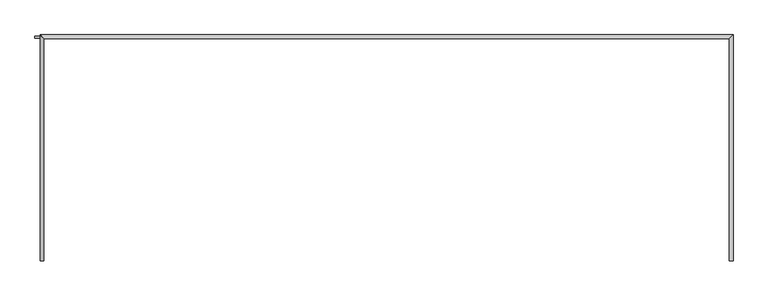
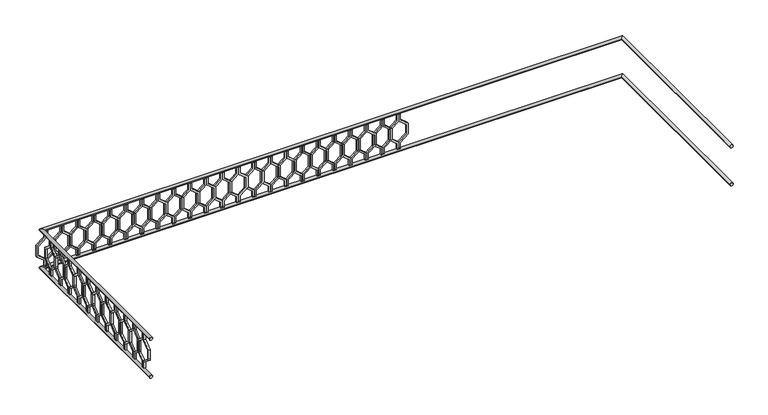
"""IFC4 building model written with IfcOpenShell, lengths in millimetres: railing geometry."""

from ifc_helpers import new_model, si_unit, frame, origin, place, context, project, spatial, polyline, circle_curve, ellipse_curve, outline, extrude, source, transform, mapped, element, save
from ifc_brep_helpers import plane_surface, cylinder_surface, advanced_brep


def railing_d40d572c(model_context):
    return source(origin(), model_context, "Body", "SolidModel", [
        advanced_brep(
        [(-40739.9887159, 903.1079487, 18780.0), (-40699.9887159, 903.1079487, 18780.0), (-40739.9887159, 3243.1079487, 18780.0), (-40699.9887159, 3283.1079487, 18780.0), (-47939.9887159, 3243.1079487, 18780.0), (-47979.9887159, 3283.1079487, 18780.0), (-47939.9887159, 903.1079487, 18780.0), (-47979.9887159, 903.1079487, 18780.0)],
        [
            (0, 1, circle_curve(frame((-40719.9887159, 903.1079487, 18780.0), z_axis=(0.0, -1.0, 0.0), x_axis=(1.0, 0.0, 0.0)), 20.0)),
            (1, 0, circle_curve(frame((-40719.9887159, 903.1079487, 18780.0), z_axis=(0.0, -1.0, 0.0), x_axis=(1.0, 0.0, 0.0)), 20.0)),
            (0, 2),
            (2, 3, ellipse_curve(frame((-40719.9887159, 3263.1079487, 18780.0), z_axis=(0.7071067811865475, -0.7071067811865476, 0.0), x_axis=(-0.7071067811865476, -0.7071067811865475, 0.0)), 28.2842712, 20.0)),
            (3, 1),
            (3, 2, ellipse_curve(frame((-40719.9887159, 3263.1079487, 18780.0), z_axis=(0.7071067811865475, -0.7071067811865476, 0.0), x_axis=(-0.7071067811865476, -0.7071067811865475, 0.0)), 28.2842712, 20.0)),
            (2, 4),
            (4, 5, ellipse_curve(frame((-47959.9887159, 3263.1079487, 18780.0), z_axis=(0.7071067811865481, 0.7071067811865469, 0.0), x_axis=(0.7071067811865469, -0.7071067811865481, 0.0)), 28.2842712, 20.0)),
            (5, 3),
            (5, 4, ellipse_curve(frame((-47959.9887159, 3263.1079487, 18780.0), z_axis=(0.7071067811865481, 0.7071067811865469, 0.0), x_axis=(0.7071067811865469, -0.7071067811865481, 0.0)), 28.2842712, 20.0)),
            (6, 7, circle_curve(frame((-47959.9887159, 903.1079487, 18780.0), z_axis=(0.0, -1.0, 0.0), x_axis=(-1.0, 0.0, 0.0)), 20.0)),
            (7, 6, circle_curve(frame((-47959.9887159, 903.1079487, 18780.0), z_axis=(0.0, -1.0, 0.0), x_axis=(-1.0, 0.0, 0.0)), 20.0)),
            (4, 6),
            (7, 5),
        ],
        [
            plane_surface(frame((-40719.9887159, 903.1079487, 18800.0), z_axis=(0.0, -1.0, 0.0), x_axis=(0.0, 0.0, 1.0))),
            cylinder_surface(frame((-40719.9887159, 903.1079487, 18780.0), z_axis=(0.0, -1.0, 0.0), x_axis=(1.0, 0.0, 0.0)), 20.0),
            cylinder_surface(frame((-40719.9887159, 3263.1079487, 18780.0), z_axis=(1.0, 0.0, 0.0), x_axis=(0.0, 1.0, 0.0)), 20.0),
            plane_surface(frame((-47959.9887159, 903.1079487, 18800.0), z_axis=(0.0, -1.0, 0.0), x_axis=(0.0, 0.0, -1.0))),
            cylinder_surface(frame((-47959.9887159, 3263.1079487, 18780.0), z_axis=(0.0, 1.0, 0.0), x_axis=(-1.0, 0.0, 0.0)), 20.0),
        ],
        [
            (0, [[1, 2]]),
            (1, [[-1, 3, 4, 5]]),
            (1, [[-2, -5, 6, -3]]),
            (2, [[-4, 7, 8, 9]]),
            (2, [[-6, -9, 10, -7]]),
            (3, [[11, 12]]),
            (4, [[-8, 13, -12, 14]]),
            (4, [[-10, -14, -11, -13]]),
        ],
    ),
        advanced_brep(
        [(-40739.9887159, 903.1079487, 18280.0), (-40699.9887159, 903.1079487, 18280.0), (-40739.9887159, 3243.1079487, 18280.0), (-40699.9887159, 3283.1079487, 18280.0), (-47939.9887159, 3243.1079487, 18280.0), (-47979.9887159, 3283.1079487, 18280.0), (-47939.9887159, 903.1079487, 18280.0), (-47979.9887159, 903.1079487, 18280.0)],
        [
            (0, 1, circle_curve(frame((-40719.9887159, 903.1079487, 18280.0), z_axis=(0.0, -1.0, 0.0), x_axis=(1.0, 0.0, 0.0)), 20.0)),
            (1, 0, circle_curve(frame((-40719.9887159, 903.1079487, 18280.0), z_axis=(0.0, -1.0, 0.0), x_axis=(1.0, 0.0, 0.0)), 20.0)),
            (0, 2),
            (2, 3, ellipse_curve(frame((-40719.9887159, 3263.1079487, 18280.0), z_axis=(0.7071067811865475, -0.7071067811865476, 0.0), x_axis=(-0.7071067811865476, -0.7071067811865475, 0.0)), 28.2842712, 20.0)),
            (3, 1),
            (3, 2, ellipse_curve(frame((-40719.9887159, 3263.1079487, 18280.0), z_axis=(0.7071067811865475, -0.7071067811865476, 0.0), x_axis=(-0.7071067811865476, -0.7071067811865475, 0.0)), 28.2842712, 20.0)),
            (2, 4),
            (4, 5, ellipse_curve(frame((-47959.9887159, 3263.1079487, 18280.0), z_axis=(0.7071067811865481, 0.7071067811865469, 0.0), x_axis=(0.7071067811865469, -0.7071067811865481, 0.0)), 28.2842712, 20.0)),
            (5, 3),
            (5, 4, ellipse_curve(frame((-47959.9887159, 3263.1079487, 18280.0), z_axis=(0.7071067811865481, 0.7071067811865469, 0.0), x_axis=(0.7071067811865469, -0.7071067811865481, 0.0)), 28.2842712, 20.0)),
            (6, 7, circle_curve(frame((-47959.9887159, 903.1079487, 18280.0), z_axis=(0.0, -1.0, 0.0), x_axis=(-1.0, 0.0, 0.0)), 20.0)),
            (7, 6, circle_curve(frame((-47959.9887159, 903.1079487, 18280.0), z_axis=(0.0, -1.0, 0.0), x_axis=(-1.0, 0.0, 0.0)), 20.0)),
            (4, 6),
            (7, 5),
        ],
        [
            plane_surface(frame((-40719.9887159, 903.1079487, 18300.0), z_axis=(0.0, -1.0, 0.0), x_axis=(0.0, 0.0, 1.0))),
            cylinder_surface(frame((-40719.9887159, 903.1079487, 18280.0), z_axis=(0.0, -1.0, 0.0), x_axis=(1.0, 0.0, 0.0)), 20.0),
            cylinder_surface(frame((-40719.9887159, 3263.1079487, 18280.0), z_axis=(1.0, 0.0, 0.0), x_axis=(0.0, 1.0, 0.0)), 20.0),
            plane_surface(frame((-47959.9887159, 903.1079487, 18300.0), z_axis=(0.0, -1.0, 0.0), x_axis=(0.0, 0.0, -1.0))),
            cylinder_surface(frame((-47959.9887159, 3263.1079487, 18280.0), z_axis=(0.0, 1.0, 0.0), x_axis=(-1.0, 0.0, 0.0)), 20.0),
        ],
        [
            (0, [[1, 2]]),
            (1, [[-1, 3, 4, 5]]),
            (1, [[-2, -5, 6, -3]]),
            (2, [[-4, 7, 8, 9]]),
            (2, [[-6, -9, 10, -7]]),
            (3, [[11, 12]]),
            (4, [[-8, 13, -12, 14]]),
            (4, [[-10, -14, -11, -13]]),
        ],
    ),
        extrude(outline(polyline([(1068.1079487, 18760.0), (1068.1079487, 18670.448155), (969.1129993, 18590.448155), (969.1129993, 18469.551845), (1068.1079487, 18389.551845), (1068.1079487, 18300.0), (1048.1079487, 18300.0), (1048.1079487, 18380.0), (949.1129993, 18460.0), (949.1129993, 18600.0), (1048.1079487, 18680.0), (1048.1079487, 18760.0), (1068.1079487, 18760.0)])), frame((-47964.9887159, 0.0, 0.0), z_axis=(1.0, 0.0, 0.0), x_axis=(0.0, 1.0, 0.0)), (0.0, 0.0, 1.0), 20.0),
        extrude(outline(polyline([(1068.1079487, 18760.0), (1088.1079487, 18760.0), (1088.1079487, 18680.0), (1187.102898, 18600.0), (1187.102898, 18460.0), (1088.1079487, 18380.0), (1088.1079487, 18300.0), (1068.1079487, 18300.0), (1068.1079487, 18389.551845), (1167.102898, 18469.551845), (1167.102898, 18590.448155), (1068.1079487, 18670.448155), (1068.1079487, 18760.0)])), frame((-47964.9887159, 0.0, 0.0), z_axis=(1.0, 0.0, 0.0), x_axis=(0.0, 1.0, 0.0)), (0.0, 0.0, 1.0), 20.0),
        extrude(outline(polyline([(1268.1079487, 18760.0), (1268.1079487, 18670.448155), (1169.1129993, 18590.448155), (1169.1129993, 18469.551845), (1268.1079487, 18389.551845), (1268.1079487, 18300.0), (1248.1079487, 18300.0), (1248.1079487, 18380.0), (1149.1129993, 18460.0), (1149.1129993, 18600.0), (1248.1079487, 18680.0), (1248.1079487, 18760.0), (1268.1079487, 18760.0)])), frame((-47964.9887159, 0.0, 0.0), z_axis=(1.0, 0.0, 0.0), x_axis=(0.0, 1.0, 0.0)), (0.0, 0.0, 1.0), 20.0),
        extrude(outline(polyline([(1268.1079487, 18760.0), (1288.1079487, 18760.0), (1288.1079487, 18680.0), (1387.102898, 18600.0), (1387.102898, 18460.0), (1288.1079487, 18380.0), (1288.1079487, 18300.0), (1268.1079487, 18300.0), (1268.1079487, 18389.551845), (1367.102898, 18469.551845), (1367.102898, 18590.448155), (1268.1079487, 18670.448155), (1268.1079487, 18760.0)])), frame((-47964.9887159, 0.0, 0.0), z_axis=(1.0, 0.0, 0.0), x_axis=(0.0, 1.0, 0.0)), (0.0, 0.0, 1.0), 20.0),
        extrude(outline(polyline([(1468.1079487, 18760.0), (1468.1079487, 18670.448155), (1369.1129993, 18590.448155), (1369.1129993, 18469.551845), (1468.1079487, 18389.551845), (1468.1079487, 18300.0), (1448.1079487, 18300.0), (1448.1079487, 18380.0), (1349.1129993, 18460.0), (1349.1129993, 18600.0), (1448.1079487, 18680.0), (1448.1079487, 18760.0), (1468.1079487, 18760.0)])), frame((-47964.9887159, 0.0, 0.0), z_axis=(1.0, 0.0, 0.0), x_axis=(0.0, 1.0, 0.0)), (0.0, 0.0, 1.0), 20.0),
        extrude(outline(polyline([(1468.1079487, 18760.0), (1488.1079487, 18760.0), (1488.1079487, 18680.0), (1587.102898, 18600.0), (1587.102898, 18460.0), (1488.1079487, 18380.0), (1488.1079487, 18300.0), (1468.1079487, 18300.0), (1468.1079487, 18389.551845), (1567.102898, 18469.551845), (1567.102898, 18590.448155), (1468.1079487, 18670.448155), (1468.1079487, 18760.0)])), frame((-47964.9887159, 0.0, 0.0), z_axis=(1.0, 0.0, 0.0), x_axis=(0.0, 1.0, 0.0)), (0.0, 0.0, 1.0), 20.0),
        extrude(outline(polyline([(1668.1079487, 18760.0), (1668.1079487, 18670.448155), (1569.1129993, 18590.448155), (1569.1129993, 18469.551845), (1668.1079487, 18389.551845), (1668.1079487, 18300.0), (1648.1079487, 18300.0), (1648.1079487, 18380.0), (1549.1129993, 18460.0), (1549.1129993, 18600.0), (1648.1079487, 18680.0), (1648.1079487, 18760.0), (1668.1079487, 18760.0)])), frame((-47964.9887159, 0.0, 0.0), z_axis=(1.0, 0.0, 0.0), x_axis=(0.0, 1.0, 0.0)), (0.0, 0.0, 1.0), 20.0),
        extrude(outline(polyline([(1668.1079487, 18760.0), (1688.1079487, 18760.0), (1688.1079487, 18680.0), (1787.102898, 18600.0), (1787.102898, 18460.0), (1688.1079487, 18380.0), (1688.1079487, 18300.0), (1668.1079487, 18300.0), (1668.1079487, 18389.551845), (1767.102898, 18469.551845), (1767.102898, 18590.448155), (1668.1079487, 18670.448155), (1668.1079487, 18760.0)])), frame((-47964.9887159, 0.0, 0.0), z_axis=(1.0, 0.0, 0.0), x_axis=(0.0, 1.0, 0.0)), (0.0, 0.0, 1.0), 20.0),
        extrude(outline(polyline([(1868.1079487, 18760.0), (1868.1079487, 18670.448155), (1769.1129993, 18590.448155), (1769.1129993, 18469.551845), (1868.1079487, 18389.551845), (1868.1079487, 18300.0), (1848.1079487, 18300.0), (1848.1079487, 18380.0), (1749.1129993, 18460.0), (1749.1129993, 18600.0), (1848.1079487, 18680.0), (1848.1079487, 18760.0), (1868.1079487, 18760.0)])), frame((-47964.9887159, 0.0, 0.0), z_axis=(1.0, 0.0, 0.0), x_axis=(0.0, 1.0, 0.0)), (0.0, 0.0, 1.0), 20.0),
        extrude(outline(polyline([(1868.1079487, 18760.0), (1888.1079487, 18760.0), (1888.1079487, 18680.0), (1987.102898, 18600.0), (1987.102898, 18460.0), (1888.1079487, 18380.0), (1888.1079487, 18300.0), (1868.1079487, 18300.0), (1868.1079487, 18389.551845), (1967.102898, 18469.551845), (1967.102898, 18590.448155), (1868.1079487, 18670.448155), (1868.1079487, 18760.0)])), frame((-47964.9887159, 0.0, 0.0), z_axis=(1.0, 0.0, 0.0), x_axis=(0.0, 1.0, 0.0)), (0.0, 0.0, 1.0), 20.0),
        extrude(outline(polyline([(2068.1079487, 18760.0), (2068.1079487, 18670.448155), (1969.1129993, 18590.448155), (1969.1129993, 18469.551845), (2068.1079487, 18389.551845), (2068.1079487, 18300.0), (2048.1079487, 18300.0), (2048.1079487, 18380.0), (1949.1129993, 18460.0), (1949.1129993, 18600.0), (2048.1079487, 18680.0), (2048.1079487, 18760.0), (2068.1079487, 18760.0)])), frame((-47964.9887159, 0.0, 0.0), z_axis=(1.0, 0.0, 0.0), x_axis=(0.0, 1.0, 0.0)), (0.0, 0.0, 1.0), 20.0),
        extrude(outline(polyline([(2068.1079487, 18760.0), (2088.1079487, 18760.0), (2088.1079487, 18680.0), (2187.102898, 18600.0), (2187.102898, 18460.0), (2088.1079487, 18380.0), (2088.1079487, 18300.0), (2068.1079487, 18300.0), (2068.1079487, 18389.551845), (2167.102898, 18469.551845), (2167.102898, 18590.448155), (2068.1079487, 18670.448155), (2068.1079487, 18760.0)])), frame((-47964.9887159, 0.0, 0.0), z_axis=(1.0, 0.0, 0.0), x_axis=(0.0, 1.0, 0.0)), (0.0, 0.0, 1.0), 20.0),
        extrude(outline(polyline([(2268.1079487, 18760.0), (2268.1079487, 18670.448155), (2169.1129993, 18590.448155), (2169.1129993, 18469.551845), (2268.1079487, 18389.551845), (2268.1079487, 18300.0), (2248.1079487, 18300.0), (2248.1079487, 18380.0), (2149.1129993, 18460.0), (2149.1129993, 18600.0), (2248.1079487, 18680.0), (2248.1079487, 18760.0), (2268.1079487, 18760.0)])), frame((-47964.9887159, 0.0, 0.0), z_axis=(1.0, 0.0, 0.0), x_axis=(0.0, 1.0, 0.0)), (0.0, 0.0, 1.0), 20.0),
        extrude(outline(polyline([(2268.1079487, 18760.0), (2288.1079487, 18760.0), (2288.1079487, 18680.0), (2387.102898, 18600.0), (2387.102898, 18460.0), (2288.1079487, 18380.0), (2288.1079487, 18300.0), (2268.1079487, 18300.0), (2268.1079487, 18389.551845), (2367.102898, 18469.551845), (2367.102898, 18590.448155), (2268.1079487, 18670.448155), (2268.1079487, 18760.0)])), frame((-47964.9887159, 0.0, 0.0), z_axis=(1.0, 0.0, 0.0), x_axis=(0.0, 1.0, 0.0)), (0.0, 0.0, 1.0), 20.0),
        extrude(outline(polyline([(2468.1079487, 18760.0), (2468.1079487, 18670.448155), (2369.1129993, 18590.448155), (2369.1129993, 18469.551845), (2468.1079487, 18389.551845), (2468.1079487, 18300.0), (2448.1079487, 18300.0), (2448.1079487, 18380.0), (2349.1129993, 18460.0), (2349.1129993, 18600.0), (2448.1079487, 18680.0), (2448.1079487, 18760.0), (2468.1079487, 18760.0)])), frame((-47964.9887159, 0.0, 0.0), z_axis=(1.0, 0.0, 0.0), x_axis=(0.0, 1.0, 0.0)), (0.0, 0.0, 1.0), 20.0),
        extrude(outline(polyline([(2468.1079487, 18760.0), (2488.1079487, 18760.0), (2488.1079487, 18680.0), (2587.102898, 18600.0), (2587.102898, 18460.0), (2488.1079487, 18380.0), (2488.1079487, 18300.0), (2468.1079487, 18300.0), (2468.1079487, 18389.551845), (2567.102898, 18469.551845), (2567.102898, 18590.448155), (2468.1079487, 18670.448155), (2468.1079487, 18760.0)])), frame((-47964.9887159, 0.0, 0.0), z_axis=(1.0, 0.0, 0.0), x_axis=(0.0, 1.0, 0.0)), (0.0, 0.0, 1.0), 20.0),
        extrude(outline(polyline([(2668.1079487, 18760.0), (2668.1079487, 18670.448155), (2569.1129993, 18590.448155), (2569.1129993, 18469.551845), (2668.1079487, 18389.551845), (2668.1079487, 18300.0), (2648.1079487, 18300.0), (2648.1079487, 18380.0), (2549.1129993, 18460.0), (2549.1129993, 18600.0), (2648.1079487, 18680.0), (2648.1079487, 18760.0), (2668.1079487, 18760.0)])), frame((-47964.9887159, 0.0, 0.0), z_axis=(1.0, 0.0, 0.0), x_axis=(0.0, 1.0, 0.0)), (0.0, 0.0, 1.0), 20.0),
        extrude(outline(polyline([(2668.1079487, 18760.0), (2688.1079487, 18760.0), (2688.1079487, 18680.0), (2787.102898, 18600.0), (2787.102898, 18460.0), (2688.1079487, 18380.0), (2688.1079487, 18300.0), (2668.1079487, 18300.0), (2668.1079487, 18389.551845), (2767.102898, 18469.551845), (2767.102898, 18590.448155), (2668.1079487, 18670.448155), (2668.1079487, 18760.0)])), frame((-47964.9887159, 0.0, 0.0), z_axis=(1.0, 0.0, 0.0), x_axis=(0.0, 1.0, 0.0)), (0.0, 0.0, 1.0), 20.0),
        extrude(outline(polyline([(2868.1079487, 18760.0), (2868.1079487, 18670.448155), (2769.1129993, 18590.448155), (2769.1129993, 18469.551845), (2868.1079487, 18389.551845), (2868.1079487, 18300.0), (2848.1079487, 18300.0), (2848.1079487, 18380.0), (2749.1129993, 18460.0), (2749.1129993, 18600.0), (2848.1079487, 18680.0), (2848.1079487, 18760.0), (2868.1079487, 18760.0)])), frame((-47964.9887159, 0.0, 0.0), z_axis=(1.0, 0.0, 0.0), x_axis=(0.0, 1.0, 0.0)), (0.0, 0.0, 1.0), 20.0),
        extrude(outline(polyline([(2868.1079487, 18760.0), (2888.1079487, 18760.0), (2888.1079487, 18680.0), (2987.102898, 18600.0), (2987.102898, 18460.0), (2888.1079487, 18380.0), (2888.1079487, 18300.0), (2868.1079487, 18300.0), (2868.1079487, 18389.551845), (2967.102898, 18469.551845), (2967.102898, 18590.448155), (2868.1079487, 18670.448155), (2868.1079487, 18760.0)])), frame((-47964.9887159, 0.0, 0.0), z_axis=(1.0, 0.0, 0.0), x_axis=(0.0, 1.0, 0.0)), (0.0, 0.0, 1.0), 20.0),
        extrude(outline(polyline([(3068.1079487, 18760.0), (3068.1079487, 18670.448155), (2969.1129993, 18590.448155), (2969.1129993, 18469.551845), (3068.1079487, 18389.551845), (3068.1079487, 18300.0), (3048.1079487, 18300.0), (3048.1079487, 18380.0), (2949.1129993, 18460.0), (2949.1129993, 18600.0), (3048.1079487, 18680.0), (3048.1079487, 18760.0), (3068.1079487, 18760.0)])), frame((-47964.9887159, 0.0, 0.0), z_axis=(1.0, 0.0, 0.0), x_axis=(0.0, 1.0, 0.0)), (0.0, 0.0, 1.0), 20.0),
        extrude(outline(polyline([(3068.1079487, 18760.0), (3088.1079487, 18760.0), (3088.1079487, 18680.0), (3187.102898, 18600.0), (3187.102898, 18460.0), (3088.1079487, 18380.0), (3088.1079487, 18300.0), (3068.1079487, 18300.0), (3068.1079487, 18389.551845), (3167.102898, 18469.551845), (3167.102898, 18590.448155), (3068.1079487, 18670.448155), (3068.1079487, 18760.0)])), frame((-47964.9887159, 0.0, 0.0), z_axis=(1.0, 0.0, 0.0), x_axis=(0.0, 1.0, 0.0)), (0.0, 0.0, 1.0), 20.0),
        extrude(outline(polyline([(18760.0, -47914.9887159), (18760.0, -47934.9887159), (18680.0, -47934.9887159), (18600.0, -48033.9836653), (18460.0, -48033.9836653), (18380.0, -47934.9887159), (18300.0, -47934.9887159), (18300.0, -47914.9887159), (18389.551845, -47914.9887159), (18469.551845, -48013.9836653), (18590.448155, -48013.9836653), (18670.448155, -47914.9887159), (18760.0, -47914.9887159)])), frame((0.0, 3248.1079487, 0.0), z_axis=(0.0, 1.0, 0.0), x_axis=(0.0, 0.0, 1.0)), (0.0, 0.0, 1.0), 20.0),
        extrude(outline(polyline([(18760.0, -47914.9887159), (18670.448155, -47914.9887159), (18590.448155, -47815.9937665), (18469.551845, -47815.9937665), (18389.551845, -47914.9887159), (18300.0, -47914.9887159), (18300.0, -47894.9887159), (18380.0, -47894.9887159), (18460.0, -47795.9937665), (18600.0, -47795.9937665), (18680.0, -47894.9887159), (18760.0, -47894.9887159), (18760.0, -47914.9887159)])), frame((0.0, 3248.1079487, 0.0), z_axis=(0.0, 1.0, 0.0), x_axis=(0.0, 0.0, 1.0)), (0.0, 0.0, 1.0), 20.0),
        extrude(outline(polyline([(18760.0, -47714.9887159), (18760.0, -47734.9887159), (18680.0, -47734.9887159), (18600.0, -47833.9836653), (18460.0, -47833.9836653), (18380.0, -47734.9887159), (18300.0, -47734.9887159), (18300.0, -47714.9887159), (18389.551845, -47714.9887159), (18469.551845, -47813.9836653), (18590.448155, -47813.9836653), (18670.448155, -47714.9887159), (18760.0, -47714.9887159)])), frame((0.0, 3248.1079487, 0.0), z_axis=(0.0, 1.0, 0.0), x_axis=(0.0, 0.0, 1.0)), (0.0, 0.0, 1.0), 20.0),
        extrude(outline(polyline([(18760.0, -47714.9887159), (18670.448155, -47714.9887159), (18590.448155, -47615.9937665), (18469.551845, -47615.9937665), (18389.551845, -47714.9887159), (18300.0, -47714.9887159), (18300.0, -47694.9887159), (18380.0, -47694.9887159), (18460.0, -47595.9937665), (18600.0, -47595.9937665), (18680.0, -47694.9887159), (18760.0, -47694.9887159), (18760.0, -47714.9887159)])), frame((0.0, 3248.1079487, 0.0), z_axis=(0.0, 1.0, 0.0), x_axis=(0.0, 0.0, 1.0)), (0.0, 0.0, 1.0), 20.0),
        extrude(outline(polyline([(18760.0, -47514.9887159), (18760.0, -47534.9887159), (18680.0, -47534.9887159), (18600.0, -47633.9836653), (18460.0, -47633.9836653), (18380.0, -47534.9887159), (18300.0, -47534.9887159), (18300.0, -47514.9887159), (18389.551845, -47514.9887159), (18469.551845, -47613.9836653), (18590.448155, -47613.9836653), (18670.448155, -47514.9887159), (18760.0, -47514.9887159)])), frame((0.0, 3248.1079487, 0.0), z_axis=(0.0, 1.0, 0.0), x_axis=(0.0, 0.0, 1.0)), (0.0, 0.0, 1.0), 20.0),
        extrude(outline(polyline([(18760.0, -47514.9887159), (18670.448155, -47514.9887159), (18590.448155, -47415.9937665), (18469.551845, -47415.9937665), (18389.551845, -47514.9887159), (18300.0, -47514.9887159), (18300.0, -47494.9887159), (18380.0, -47494.9887159), (18460.0, -47395.9937665), (18600.0, -47395.9937665), (18680.0, -47494.9887159), (18760.0, -47494.9887159), (18760.0, -47514.9887159)])), frame((0.0, 3248.1079487, 0.0), z_axis=(0.0, 1.0, 0.0), x_axis=(0.0, 0.0, 1.0)), (0.0, 0.0, 1.0), 20.0),
        extrude(outline(polyline([(18760.0, -47314.9887159), (18760.0, -47334.9887159), (18680.0, -47334.9887159), (18600.0, -47433.9836653), (18460.0, -47433.9836653), (18380.0, -47334.9887159), (18300.0, -47334.9887159), (18300.0, -47314.9887159), (18389.551845, -47314.9887159), (18469.551845, -47413.9836653), (18590.448155, -47413.9836653), (18670.448155, -47314.9887159), (18760.0, -47314.9887159)])), frame((0.0, 3248.1079487, 0.0), z_axis=(0.0, 1.0, 0.0), x_axis=(0.0, 0.0, 1.0)), (0.0, 0.0, 1.0), 20.0),
        extrude(outline(polyline([(18760.0, -47314.9887159), (18670.448155, -47314.9887159), (18590.448155, -47215.9937665), (18469.551845, -47215.9937665), (18389.551845, -47314.9887159), (18300.0, -47314.9887159), (18300.0, -47294.9887159), (18380.0, -47294.9887159), (18460.0, -47195.9937665), (18600.0, -47195.9937665), (18680.0, -47294.9887159), (18760.0, -47294.9887159), (18760.0, -47314.9887159)])), frame((0.0, 3248.1079487, 0.0), z_axis=(0.0, 1.0, 0.0), x_axis=(0.0, 0.0, 1.0)), (0.0, 0.0, 1.0), 20.0),
        extrude(outline(polyline([(18760.0, -47114.9887159), (18760.0, -47134.9887159), (18680.0, -47134.9887159), (18600.0, -47233.9836653), (18460.0, -47233.9836653), (18380.0, -47134.9887159), (18300.0, -47134.9887159), (18300.0, -47114.9887159), (18389.551845, -47114.9887159), (18469.551845, -47213.9836653), (18590.448155, -47213.9836653), (18670.448155, -47114.9887159), (18760.0, -47114.9887159)])), frame((0.0, 3248.1079487, 0.0), z_axis=(0.0, 1.0, 0.0), x_axis=(0.0, 0.0, 1.0)), (0.0, 0.0, 1.0), 20.0),
        extrude(outline(polyline([(18760.0, -47114.9887159), (18670.448155, -47114.9887159), (18590.448155, -47015.9937665), (18469.551845, -47015.9937665), (18389.551845, -47114.9887159), (18300.0, -47114.9887159), (18300.0, -47094.9887159), (18380.0, -47094.9887159), (18460.0, -46995.9937665), (18600.0, -46995.9937665), (18680.0, -47094.9887159), (18760.0, -47094.9887159), (18760.0, -47114.9887159)])), frame((0.0, 3248.1079487, 0.0), z_axis=(0.0, 1.0, 0.0), x_axis=(0.0, 0.0, 1.0)), (0.0, 0.0, 1.0), 20.0),
        extrude(outline(polyline([(18760.0, -46914.9887159), (18760.0, -46934.9887159), (18680.0, -46934.9887159), (18600.0, -47033.9836653), (18460.0, -47033.9836653), (18380.0, -46934.9887159), (18300.0, -46934.9887159), (18300.0, -46914.9887159), (18389.551845, -46914.9887159), (18469.551845, -47013.9836653), (18590.448155, -47013.9836653), (18670.448155, -46914.9887159), (18760.0, -46914.9887159)])), frame((0.0, 3248.1079487, 0.0), z_axis=(0.0, 1.0, 0.0), x_axis=(0.0, 0.0, 1.0)), (0.0, 0.0, 1.0), 20.0),
        extrude(outline(polyline([(18760.0, -46914.9887159), (18670.448155, -46914.9887159), (18590.448155, -46815.9937665), (18469.551845, -46815.9937665), (18389.551845, -46914.9887159), (18300.0, -46914.9887159), (18300.0, -46894.9887159), (18380.0, -46894.9887159), (18460.0, -46795.9937665), (18600.0, -46795.9937665), (18680.0, -46894.9887159), (18760.0, -46894.9887159), (18760.0, -46914.9887159)])), frame((0.0, 3248.1079487, 0.0), z_axis=(0.0, 1.0, 0.0), x_axis=(0.0, 0.0, 1.0)), (0.0, 0.0, 1.0), 20.0),
        extrude(outline(polyline([(18760.0, -46714.9887159), (18760.0, -46734.9887159), (18680.0, -46734.9887159), (18600.0, -46833.9836653), (18460.0, -46833.9836653), (18380.0, -46734.9887159), (18300.0, -46734.9887159), (18300.0, -46714.9887159), (18389.551845, -46714.9887159), (18469.551845, -46813.9836653), (18590.448155, -46813.9836653), (18670.448155, -46714.9887159), (18760.0, -46714.9887159)])), frame((0.0, 3248.1079487, 0.0), z_axis=(0.0, 1.0, 0.0), x_axis=(0.0, 0.0, 1.0)), (0.0, 0.0, 1.0), 20.0),
        extrude(outline(polyline([(18760.0, -46714.9887159), (18670.448155, -46714.9887159), (18590.448155, -46615.9937665), (18469.551845, -46615.9937665), (18389.551845, -46714.9887159), (18300.0, -46714.9887159), (18300.0, -46694.9887159), (18380.0, -46694.9887159), (18460.0, -46595.9937665), (18600.0, -46595.9937665), (18680.0, -46694.9887159), (18760.0, -46694.9887159), (18760.0, -46714.9887159)])), frame((0.0, 3248.1079487, 0.0), z_axis=(0.0, 1.0, 0.0), x_axis=(0.0, 0.0, 1.0)), (0.0, 0.0, 1.0), 20.0),
        extrude(outline(polyline([(18760.0, -46514.9887159), (18760.0, -46534.9887159), (18680.0, -46534.9887159), (18600.0, -46633.9836653), (18460.0, -46633.9836653), (18380.0, -46534.9887159), (18300.0, -46534.9887159), (18300.0, -46514.9887159), (18389.551845, -46514.9887159), (18469.551845, -46613.9836653), (18590.448155, -46613.9836653), (18670.448155, -46514.9887159), (18760.0, -46514.9887159)])), frame((0.0, 3248.1079487, 0.0), z_axis=(0.0, 1.0, 0.0), x_axis=(0.0, 0.0, 1.0)), (0.0, 0.0, 1.0), 20.0),
        extrude(outline(polyline([(18760.0, -46514.9887159), (18670.448155, -46514.9887159), (18590.448155, -46415.9937665), (18469.551845, -46415.9937665), (18389.551845, -46514.9887159), (18300.0, -46514.9887159), (18300.0, -46494.9887159), (18380.0, -46494.9887159), (18460.0, -46395.9937665), (18600.0, -46395.9937665), (18680.0, -46494.9887159), (18760.0, -46494.9887159), (18760.0, -46514.9887159)])), frame((0.0, 3248.1079487, 0.0), z_axis=(0.0, 1.0, 0.0), x_axis=(0.0, 0.0, 1.0)), (0.0, 0.0, 1.0), 20.0),
        extrude(outline(polyline([(18760.0, -46314.9887159), (18760.0, -46334.9887159), (18680.0, -46334.9887159), (18600.0, -46433.9836653), (18460.0, -46433.9836653), (18380.0, -46334.9887159), (18300.0, -46334.9887159), (18300.0, -46314.9887159), (18389.551845, -46314.9887159), (18469.551845, -46413.9836653), (18590.448155, -46413.9836653), (18670.448155, -46314.9887159), (18760.0, -46314.9887159)])), frame((0.0, 3248.1079487, 0.0), z_axis=(0.0, 1.0, 0.0), x_axis=(0.0, 0.0, 1.0)), (0.0, 0.0, 1.0), 20.0),
        extrude(outline(polyline([(18760.0, -46314.9887159), (18670.448155, -46314.9887159), (18590.448155, -46215.9937665), (18469.551845, -46215.9937665), (18389.551845, -46314.9887159), (18300.0, -46314.9887159), (18300.0, -46294.9887159), (18380.0, -46294.9887159), (18460.0, -46195.9937665), (18600.0, -46195.9937665), (18680.0, -46294.9887159), (18760.0, -46294.9887159), (18760.0, -46314.9887159)])), frame((0.0, 3248.1079487, 0.0), z_axis=(0.0, 1.0, 0.0), x_axis=(0.0, 0.0, 1.0)), (0.0, 0.0, 1.0), 20.0),
        extrude(outline(polyline([(18760.0, -46114.9887159), (18760.0, -46134.9887159), (18680.0, -46134.9887159), (18600.0, -46233.9836653), (18460.0, -46233.9836653), (18380.0, -46134.9887159), (18300.0, -46134.9887159), (18300.0, -46114.9887159), (18389.551845, -46114.9887159), (18469.551845, -46213.9836653), (18590.448155, -46213.9836653), (18670.448155, -46114.9887159), (18760.0, -46114.9887159)])), frame((0.0, 3248.1079487, 0.0), z_axis=(0.0, 1.0, 0.0), x_axis=(0.0, 0.0, 1.0)), (0.0, 0.0, 1.0), 20.0),
        extrude(outline(polyline([(18760.0, -46114.9887159), (18670.448155, -46114.9887159), (18590.448155, -46015.9937665), (18469.551845, -46015.9937665), (18389.551845, -46114.9887159), (18300.0, -46114.9887159), (18300.0, -46094.9887159), (18380.0, -46094.9887159), (18460.0, -45995.9937665), (18600.0, -45995.9937665), (18680.0, -46094.9887159), (18760.0, -46094.9887159), (18760.0, -46114.9887159)])), frame((0.0, 3248.1079487, 0.0), z_axis=(0.0, 1.0, 0.0), x_axis=(0.0, 0.0, 1.0)), (0.0, 0.0, 1.0), 20.0),
        extrude(outline(polyline([(18760.0, -45914.9887159), (18760.0, -45934.9887159), (18680.0, -45934.9887159), (18600.0, -46033.9836653), (18460.0, -46033.9836653), (18380.0, -45934.9887159), (18300.0, -45934.9887159), (18300.0, -45914.9887159), (18389.551845, -45914.9887159), (18469.551845, -46013.9836653), (18590.448155, -46013.9836653), (18670.448155, -45914.9887159), (18760.0, -45914.9887159)])), frame((0.0, 3248.1079487, 0.0), z_axis=(0.0, 1.0, 0.0), x_axis=(0.0, 0.0, 1.0)), (0.0, 0.0, 1.0), 20.0),
        extrude(outline(polyline([(18760.0, -45914.9887159), (18670.448155, -45914.9887159), (18590.448155, -45815.9937665), (18469.551845, -45815.9937665), (18389.551845, -45914.9887159), (18300.0, -45914.9887159), (18300.0, -45894.9887159), (18380.0, -45894.9887159), (18460.0, -45795.9937665), (18600.0, -45795.9937665), (18680.0, -45894.9887159), (18760.0, -45894.9887159), (18760.0, -45914.9887159)])), frame((0.0, 3248.1079487, 0.0), z_axis=(0.0, 1.0, 0.0), x_axis=(0.0, 0.0, 1.0)), (0.0, 0.0, 1.0), 20.0),
        extrude(outline(polyline([(18760.0, -45714.9887159), (18760.0, -45734.9887159), (18680.0, -45734.9887159), (18600.0, -45833.9836653), (18460.0, -45833.9836653), (18380.0, -45734.9887159), (18300.0, -45734.9887159), (18300.0, -45714.9887159), (18389.551845, -45714.9887159), (18469.551845, -45813.9836653), (18590.448155, -45813.9836653), (18670.448155, -45714.9887159), (18760.0, -45714.9887159)])), frame((0.0, 3248.1079487, 0.0), z_axis=(0.0, 1.0, 0.0), x_axis=(0.0, 0.0, 1.0)), (0.0, 0.0, 1.0), 20.0),
        extrude(outline(polyline([(18760.0, -45714.9887159), (18670.448155, -45714.9887159), (18590.448155, -45615.9937665), (18469.551845, -45615.9937665), (18389.551845, -45714.9887159), (18300.0, -45714.9887159), (18300.0, -45694.9887159), (18380.0, -45694.9887159), (18460.0, -45595.9937665), (18600.0, -45595.9937665), (18680.0, -45694.9887159), (18760.0, -45694.9887159), (18760.0, -45714.9887159)])), frame((0.0, 3248.1079487, 0.0), z_axis=(0.0, 1.0, 0.0), x_axis=(0.0, 0.0, 1.0)), (0.0, 0.0, 1.0), 20.0),
        extrude(outline(polyline([(18760.0, -45514.9887159), (18760.0, -45534.9887159), (18680.0, -45534.9887159), (18600.0, -45633.9836653), (18460.0, -45633.9836653), (18380.0, -45534.9887159), (18300.0, -45534.9887159), (18300.0, -45514.9887159), (18389.551845, -45514.9887159), (18469.551845, -45613.9836653), (18590.448155, -45613.9836653), (18670.448155, -45514.9887159), (18760.0, -45514.9887159)])), frame((0.0, 3248.1079487, 0.0), z_axis=(0.0, 1.0, 0.0), x_axis=(0.0, 0.0, 1.0)), (0.0, 0.0, 1.0), 20.0),
        extrude(outline(polyline([(18760.0, -45514.9887159), (18670.448155, -45514.9887159), (18590.448155, -45415.9937665), (18469.551845, -45415.9937665), (18389.551845, -45514.9887159), (18300.0, -45514.9887159), (18300.0, -45494.9887159), (18380.0, -45494.9887159), (18460.0, -45395.9937665), (18600.0, -45395.9937665), (18680.0, -45494.9887159), (18760.0, -45494.9887159), (18760.0, -45514.9887159)])), frame((0.0, 3248.1079487, 0.0), z_axis=(0.0, 1.0, 0.0), x_axis=(0.0, 0.0, 1.0)), (0.0, 0.0, 1.0), 20.0),
        extrude(outline(polyline([(18760.0, -45314.9887159), (18760.0, -45334.9887159), (18680.0, -45334.9887159), (18600.0, -45433.9836653), (18460.0, -45433.9836653), (18380.0, -45334.9887159), (18300.0, -45334.9887159), (18300.0, -45314.9887159), (18389.551845, -45314.9887159), (18469.551845, -45413.9836653), (18590.448155, -45413.9836653), (18670.448155, -45314.9887159), (18760.0, -45314.9887159)])), frame((0.0, 3248.1079487, 0.0), z_axis=(0.0, 1.0, 0.0), x_axis=(0.0, 0.0, 1.0)), (0.0, 0.0, 1.0), 20.0),
        extrude(outline(polyline([(18760.0, -45314.9887159), (18670.448155, -45314.9887159), (18590.448155, -45215.9937665), (18469.551845, -45215.9937665), (18389.551845, -45314.9887159), (18300.0, -45314.9887159), (18300.0, -45294.9887159), (18380.0, -45294.9887159), (18460.0, -45195.9937665), (18600.0, -45195.9937665), (18680.0, -45294.9887159), (18760.0, -45294.9887159), (18760.0, -45314.9887159)])), frame((0.0, 3248.1079487, 0.0), z_axis=(0.0, 1.0, 0.0), x_axis=(0.0, 0.0, 1.0)), (0.0, 0.0, 1.0), 20.0),
        extrude(outline(polyline([(18760.0, -45114.9887159), (18760.0, -45134.9887159), (18680.0, -45134.9887159), (18600.0, -45233.9836653), (18460.0, -45233.9836653), (18380.0, -45134.9887159), (18300.0, -45134.9887159), (18300.0, -45114.9887159), (18389.551845, -45114.9887159), (18469.551845, -45213.9836653), (18590.448155, -45213.9836653), (18670.448155, -45114.9887159), (18760.0, -45114.9887159)])), frame((0.0, 3248.1079487, 0.0), z_axis=(0.0, 1.0, 0.0), x_axis=(0.0, 0.0, 1.0)), (0.0, 0.0, 1.0), 20.0),
        extrude(outline(polyline([(18760.0, -45114.9887159), (18670.448155, -45114.9887159), (18590.448155, -45015.9937665), (18469.551845, -45015.9937665), (18389.551845, -45114.9887159), (18300.0, -45114.9887159), (18300.0, -45094.9887159), (18380.0, -45094.9887159), (18460.0, -44995.9937665), (18600.0, -44995.9937665), (18680.0, -45094.9887159), (18760.0, -45094.9887159), (18760.0, -45114.9887159)])), frame((0.0, 3248.1079487, 0.0), z_axis=(0.0, 1.0, 0.0), x_axis=(0.0, 0.0, 1.0)), (0.0, 0.0, 1.0), 20.0),
        extrude(outline(polyline([(18760.0, -44914.9887159), (18760.0, -44934.9887159), (18680.0, -44934.9887159), (18600.0, -45033.9836653), (18460.0, -45033.9836653), (18380.0, -44934.9887159), (18300.0, -44934.9887159), (18300.0, -44914.9887159), (18389.551845, -44914.9887159), (18469.551845, -45013.9836653), (18590.448155, -45013.9836653), (18670.448155, -44914.9887159), (18760.0, -44914.9887159)])), frame((0.0, 3248.1079487, 0.0), z_axis=(0.0, 1.0, 0.0), x_axis=(0.0, 0.0, 1.0)), (0.0, 0.0, 1.0), 20.0),
        extrude(outline(polyline([(18760.0, -44914.9887159), (18670.448155, -44914.9887159), (18590.448155, -44815.9937665), (18469.551845, -44815.9937665), (18389.551845, -44914.9887159), (18300.0, -44914.9887159), (18300.0, -44894.9887159), (18380.0, -44894.9887159), (18460.0, -44795.9937665), (18600.0, -44795.9937665), (18680.0, -44894.9887159), (18760.0, -44894.9887159), (18760.0, -44914.9887159)])), frame((0.0, 3248.1079487, 0.0), z_axis=(0.0, 1.0, 0.0), x_axis=(0.0, 0.0, 1.0)), (0.0, 0.0, 1.0), 20.0),
        extrude(outline(polyline([(18760.0, -44714.9887159), (18760.0, -44734.9887159), (18680.0, -44734.9887159), (18600.0, -44833.9836653), (18460.0, -44833.9836653), (18380.0, -44734.9887159), (18300.0, -44734.9887159), (18300.0, -44714.9887159), (18389.551845, -44714.9887159), (18469.551845, -44813.9836653), (18590.448155, -44813.9836653), (18670.448155, -44714.9887159), (18760.0, -44714.9887159)])), frame((0.0, 3248.1079487, 0.0), z_axis=(0.0, 1.0, 0.0), x_axis=(0.0, 0.0, 1.0)), (0.0, 0.0, 1.0), 20.0),
        extrude(outline(polyline([(18760.0, -44714.9887159), (18670.448155, -44714.9887159), (18590.448155, -44615.9937665), (18469.551845, -44615.9937665), (18389.551845, -44714.9887159), (18300.0, -44714.9887159), (18300.0, -44694.9887159), (18380.0, -44694.9887159), (18460.0, -44595.9937665), (18600.0, -44595.9937665), (18680.0, -44694.9887159), (18760.0, -44694.9887159), (18760.0, -44714.9887159)])), frame((0.0, 3248.1079487, 0.0), z_axis=(0.0, 1.0, 0.0), x_axis=(0.0, 0.0, 1.0)), (0.0, 0.0, 1.0), 20.0),
        extrude(outline(polyline([(18760.0, -44514.9887159), (18760.0, -44534.9887159), (18680.0, -44534.9887159), (18600.0, -44633.9836653), (18460.0, -44633.9836653), (18380.0, -44534.9887159), (18300.0, -44534.9887159), (18300.0, -44514.9887159), (18389.551845, -44514.9887159), (18469.551845, -44613.9836653), (18590.448155, -44613.9836653), (18670.448155, -44514.9887159), (18760.0, -44514.9887159)])), frame((0.0, 3248.1079487, 0.0), z_axis=(0.0, 1.0, 0.0), x_axis=(0.0, 0.0, 1.0)), (0.0, 0.0, 1.0), 20.0),
        extrude(outline(polyline([(18760.0, -44514.9887159), (18670.448155, -44514.9887159), (18590.448155, -44415.9937665), (18469.551845, -44415.9937665), (18389.551845, -44514.9887159), (18300.0, -44514.9887159), (18300.0, -44494.9887159), (18380.0, -44494.9887159), (18460.0, -44395.9937665), (18600.0, -44395.9937665), (18680.0, -44494.9887159), (18760.0, -44494.9887159), (18760.0, -44514.9887159)])), frame((0.0, 3248.1079487, 0.0), z_axis=(0.0, 1.0, 0.0), x_axis=(0.0, 0.0, 1.0)), (0.0, 0.0, 1.0), 20.0),
        extrude(outline(polyline([(18760.0, -44314.9887159), (18760.0, -44334.9887159), (18680.0, -44334.9887159), (18600.0, -44433.9836653), (18460.0, -44433.9836653), (18380.0, -44334.9887159), (18300.0, -44334.9887159), (18300.0, -44314.9887159), (18389.551845, -44314.9887159), (18469.551845, -44413.9836653), (18590.448155, -44413.9836653), (18670.448155, -44314.9887159), (18760.0, -44314.9887159)])), frame((0.0, 3248.1079487, 0.0), z_axis=(0.0, 1.0, 0.0), x_axis=(0.0, 0.0, 1.0)), (0.0, 0.0, 1.0), 20.0),
        extrude(outline(polyline([(18760.0, -44314.9887159), (18670.448155, -44314.9887159), (18590.448155, -44215.9937665), (18469.551845, -44215.9937665), (18389.551845, -44314.9887159), (18300.0, -44314.9887159), (18300.0, -44294.9887159), (18380.0, -44294.9887159), (18460.0, -44195.9937665), (18600.0, -44195.9937665), (18680.0, -44294.9887159), (18760.0, -44294.9887159), (18760.0, -44314.9887159)])), frame((0.0, 3248.1079487, 0.0), z_axis=(0.0, 1.0, 0.0), x_axis=(0.0, 0.0, 1.0)), (0.0, 0.0, 1.0), 20.0),
        extrude(outline(polyline([(18760.0, -44114.9887159), (18760.0, -44134.9887159), (18680.0, -44134.9887159), (18600.0, -44233.9836653), (18460.0, -44233.9836653), (18380.0, -44134.9887159), (18300.0, -44134.9887159), (18300.0, -44114.9887159), (18389.551845, -44114.9887159), (18469.551845, -44213.9836653), (18590.448155, -44213.9836653), (18670.448155, -44114.9887159), (18760.0, -44114.9887159)])), frame((0.0, 3248.1079487, 0.0), z_axis=(0.0, 1.0, 0.0), x_axis=(0.0, 0.0, 1.0)), (0.0, 0.0, 1.0), 20.0),
        extrude(outline(polyline([(18760.0, -44114.9887159), (18670.448155, -44114.9887159), (18590.448155, -44015.9937665), (18469.551845, -44015.9937665), (18389.551845, -44114.9887159), (18300.0, -44114.9887159), (18300.0, -44094.9887159), (18380.0, -44094.9887159), (18460.0, -43995.9937665), (18600.0, -43995.9937665), (18680.0, -44094.9887159), (18760.0, -44094.9887159), (18760.0, -44114.9887159)])), frame((0.0, 3248.1079487, 0.0), z_axis=(0.0, 1.0, 0.0), x_axis=(0.0, 0.0, 1.0)), (0.0, 0.0, 1.0), 20.0),
        extrude(outline(polyline([(18760.0, -43914.9887159), (18760.0, -43934.9887159), (18680.0, -43934.9887159), (18600.0, -44033.9836653), (18460.0, -44033.9836653), (18380.0, -43934.9887159), (18300.0, -43934.9887159), (18300.0, -43914.9887159), (18389.551845, -43914.9887159), (18469.551845, -44013.9836653), (18590.448155, -44013.9836653), (18670.448155, -43914.9887159), (18760.0, -43914.9887159)])), frame((0.0, 3248.1079487, 0.0), z_axis=(0.0, 1.0, 0.0), x_axis=(0.0, 0.0, 1.0)), (0.0, 0.0, 1.0), 20.0),
        extrude(outline(polyline([(18760.0, -43914.9887159), (18670.448155, -43914.9887159), (18590.448155, -43815.9937665), (18469.551845, -43815.9937665), (18389.551845, -43914.9887159), (18300.0, -43914.9887159), (18300.0, -43894.9887159), (18380.0, -43894.9887159), (18460.0, -43795.9937665), (18600.0, -43795.9937665), (18680.0, -43894.9887159), (18760.0, -43894.9887159), (18760.0, -43914.9887159)])), frame((0.0, 3248.1079487, 0.0), z_axis=(0.0, 1.0, 0.0), x_axis=(0.0, 0.0, 1.0)), (0.0, 0.0, 1.0), 20.0),
        extrude(outline(polyline([(18760.0, -43714.9887159), (18760.0, -43734.9887159), (18680.0, -43734.9887159), (18600.0, -43833.9836653), (18460.0, -43833.9836653), (18380.0, -43734.9887159), (18300.0, -43734.9887159), (18300.0, -43714.9887159), (18389.551845, -43714.9887159), (18469.551845, -43813.9836653), (18590.448155, -43813.9836653), (18670.448155, -43714.9887159), (18760.0, -43714.9887159)])), frame((0.0, 3248.1079487, 0.0), z_axis=(0.0, 1.0, 0.0), x_axis=(0.0, 0.0, 1.0)), (0.0, 0.0, 1.0), 20.0),
        extrude(outline(polyline([(18760.0, -43714.9887159), (18670.448155, -43714.9887159), (18590.448155, -43615.9937665), (18469.551845, -43615.9937665), (18389.551845, -43714.9887159), (18300.0, -43714.9887159), (18300.0, -43694.9887159), (18380.0, -43694.9887159), (18460.0, -43595.9937665), (18600.0, -43595.9937665), (18680.0, -43694.9887159), (18760.0, -43694.9887159), (18760.0, -43714.9887159)])), frame((0.0, 3248.1079487, 0.0), z_axis=(0.0, 1.0, 0.0), x_axis=(0.0, 0.0, 1.0)), (0.0, 0.0, 1.0), 20.0),
        extrude(outline(polyline([(18760.0, -43514.9887159), (18760.0, -43534.9887159), (18680.0, -43534.9887159), (18600.0, -43633.9836653), (18460.0, -43633.9836653), (18380.0, -43534.9887159), (18300.0, -43534.9887159), (18300.0, -43514.9887159), (18389.551845, -43514.9887159), (18469.551845, -43613.9836653), (18590.448155, -43613.9836653), (18670.448155, -43514.9887159), (18760.0, -43514.9887159)])), frame((0.0, 3248.1079487, 0.0), z_axis=(0.0, 1.0, 0.0), x_axis=(0.0, 0.0, 1.0)), (0.0, 0.0, 1.0), 20.0),
        extrude(outline(polyline([(18760.0, -43514.9887159), (18670.448155, -43514.9887159), (18590.448155, -43415.9937665), (18469.551845, -43415.9937665), (18389.551845, -43514.9887159), (18300.0, -43514.9887159), (18300.0, -43494.9887159), (18380.0, -43494.9887159), (18460.0, -43395.9937665), (18600.0, -43395.9937665), (18680.0, -43494.9887159), (18760.0, -43494.9887159), (18760.0, -43514.9887159)])), frame((0.0, 3248.1079487, 0.0), z_axis=(0.0, 1.0, 0.0), x_axis=(0.0, 0.0, 1.0)), (0.0, 0.0, 1.0), 20.0),
    ])


if __name__ == "__main__":
    model = new_model("IFC4")
    model_context = context("Model", 3, world=origin())
    ifc_project = project(units=[si_unit("LENGTHUNIT", "METRE", prefix="MILLI")], contexts=[model_context])
    site = spatial("IfcSite", under=ifc_project)
    building = spatial("IfcBuilding", under=site)
    placement = place(None, origin())
    railing_shape = railing_d40d572c(model_context)
    element("IfcRailing", 1, at=placement, inside=building, context=model_context, shape_type="MappedRepresentation", body=[
        mapped(railing_shape, transform((0.0, 0.0, 0.0), x_axis=(1.0, 0.0, 0.0), y_axis=(0.0, 1.0, 0.0), z_axis=(0.0, 0.0, 1.0))),
    ])
    save(model, "model.ifc")
